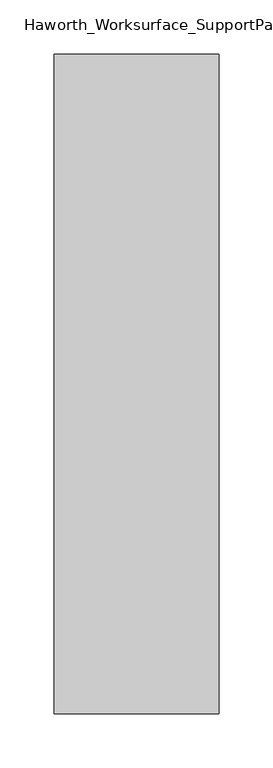
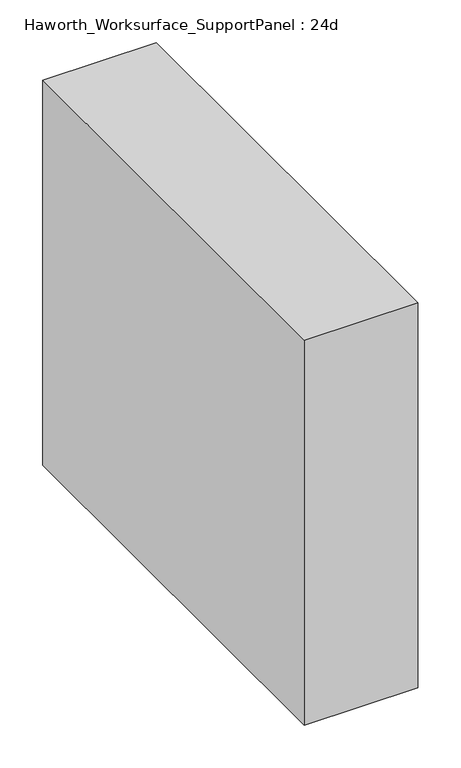
"""IFC4 building model written with IfcOpenShell, lengths in millimetres: furniture geometry, Haworth_Worksurface_SupportPanel : 24d."""

from ifc_helpers import new_model, si_unit, origin, origin_with_axes, place, context, project, spatial, polyline, outline, extrude, source, transform, mapped, element, save


def haworth_worksurface_supportpanel_24d_0737c597(model_context):
    return source(origin(), model_context, "Body", "SweptSolid", [
        extrude(outline(polyline([(292.1, 181.2465234), (292.1, -428.3534766), (139.7, -428.3534766), (139.7, 181.2465234), (292.1, 181.2465234)])), origin_with_axes(), (0.0, 0.0, 1.0), 547.6875),
    ])


if __name__ == "__main__":
    model = new_model("IFC4")
    model_context = context("Model", 3, world=origin())
    ifc_project = project(units=[si_unit("LENGTHUNIT", "METRE", prefix="MILLI")], contexts=[model_context])
    site = spatial("IfcSite", under=ifc_project)
    building = spatial("IfcBuilding", under=site)
    placement = place(None, origin())
    haworth_worksurface_supportpanel_24d_shape = haworth_worksurface_supportpanel_24d_0737c597(model_context)
    element("IfcFurniture", 1, ObjectType="Haworth_Worksurface_SupportPanel : 24d", at=placement, inside=building, context=model_context, shape_type="MappedRepresentation", body=[
        mapped(haworth_worksurface_supportpanel_24d_shape, transform((0.0, 0.0, 0.0), x_axis=(1.0, 0.0, 0.0), y_axis=(0.0, 1.0, 0.0), z_axis=(0.0, 0.0, 1.0))),
    ])
    save(model, "model.ifc")
